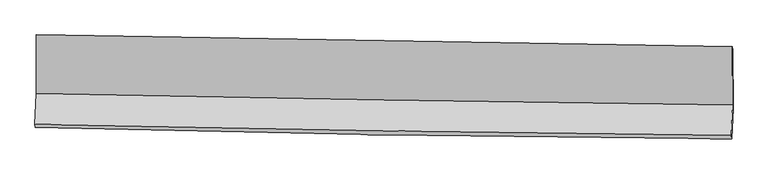
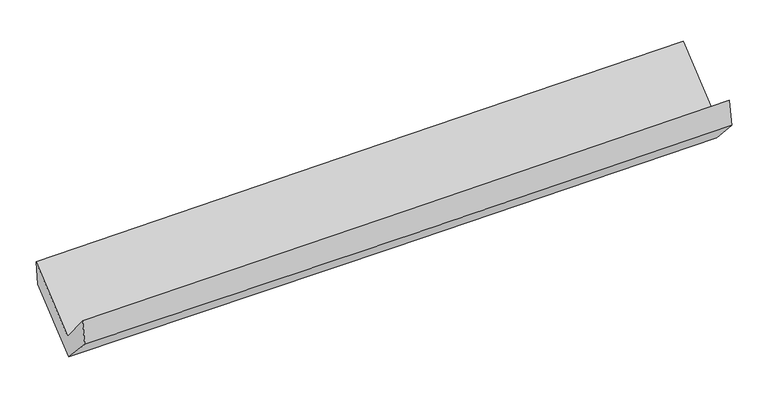
"""IFC4 building model written with IfcOpenShell, lengths in millimetres: proxy geometry."""

import ifcopenshell
import ifcopenshell.guid

model = None  # the IFC model being written
_history = None  # IfcOwnerHistory: only IFC2X3 demands one
_inside = {}  # id of a spatial element -> (the spatial element, [elements in it])
_under = {}  # id of a project, library or spatial element -> (it, [spatial elements below it])
_declared = {}  # id of a project -> (the project, [libraries it declares])
_typed = {}  # id of a type object -> (the type object, [elements of that type])
_made_of = {}  # id of a material, layer set ... -> (it, [elements and type objects made of it])


def new_model(schema):
    """Start an empty IFC model of exactly this schema.

    Asked for "IFC4X3", IfcOpenShell would pick the latest addendum, in which some entities
    have other attributes; the version numbers below select the first issue.
    IFC2X3 requires an IfcOwnerHistory on every rooted entity: one is made here for all.
    """
    global model, _history
    if schema == "IFC4X3":
        model = ifcopenshell.file(schema_version=(4, 3, 0, 0))
    else:
        model = ifcopenshell.file(schema=schema)
    _inside.clear()
    _under.clear()
    _declared.clear()
    _typed.clear()
    _made_of.clear()
    _history = None
    if model.schema == "IFC2X3":
        org = make("IfcOrganization", Name="unknown")
        user = make(
            "IfcPersonAndOrganization",
            ThePerson=make("IfcPerson", FamilyName="unknown"),
            TheOrganization=org,
        )
        app = make(
            "IfcApplication",
            ApplicationDeveloper=org,
            Version="unknown",
            ApplicationFullName="unknown",
            ApplicationIdentifier="unknown",
        )
        _history = make(
            "IfcOwnerHistory",
            OwningUser=user,
            OwningApplication=app,
            ChangeAction="ADDED",
            CreationDate=0,
        )
    return model


def make(cls, **values):
    """One entity of the class cls with the attributes given. An attribute that is None is left unset."""
    return model.create_entity(
        cls, **{name: value for name, value in values.items() if value is not None}
    )


def rooted(cls, **values):
    """An entity with a GlobalId (a new one), such as an element, a storey or a relation."""
    return make(cls, GlobalId=ifcopenshell.guid.new(), OwnerHistory=_history, **values)


def si_unit(unit_type, name, prefix=None):
    """IfcSIUnit, for example si_unit("LENGTHUNIT", "METRE", prefix="MILLI")."""
    return make("IfcSIUnit", UnitType=unit_type, Prefix=prefix, Name=name)


def assignment(units):
    """IfcUnitAssignment: the units of a project."""
    return None if units is None else make("IfcUnitAssignment", Units=units)


def point(xyz):
    """IfcCartesianPoint."""
    return None if xyz is None else make("IfcCartesianPoint", Coordinates=xyz)


def direction(xyz):
    """IfcDirection."""
    return None if xyz is None else make("IfcDirection", DirectionRatios=xyz)


def frame(location, z_axis=None, x_axis=None):
    """IfcAxis2Placement3D, a coordinate frame: its origin and axes. An axis left out is left unset."""
    return make(
        "IfcAxis2Placement3D",
        Location=point(location),
        Axis=direction(z_axis),
        RefDirection=direction(x_axis),
    )


def origin():
    """The frame at (0, 0, 0) with its axes left unset."""
    return frame((0.0, 0.0, 0.0))


def place(relative_to, where):
    """IfcLocalPlacement: puts the frame where relative to a parent placement (None: the world)."""
    return make(
        "IfcLocalPlacement", PlacementRelTo=relative_to, RelativePlacement=where
    )


def context(
    kind, dimensions, precision=None, world=None, true_north=None, identifier=None
):
    """IfcGeometricRepresentationContext, for example the 3D "Model" context."""
    return make(
        "IfcGeometricRepresentationContext",
        ContextIdentifier=identifier,
        ContextType=kind,
        CoordinateSpaceDimension=dimensions,
        Precision=precision,
        WorldCoordinateSystem=world,
        TrueNorth=true_north,
    )


def project(units=None, contexts=None):
    """IfcProject with its units and contexts."""
    return rooted(
        "IfcProject",
        Name="project",
        RepresentationContexts=contexts,
        UnitsInContext=assignment(units),
    )


def spatial(cls, under=None, at=None, **own):
    """A site, building, storey or space (cls), placed at a placement, below another one or the project."""
    s = rooted(cls, ObjectPlacement=at, **own)
    if under is not None:
        _under.setdefault(under.id(), (under, []))[1].append(s)
    return s


def shape(context_of_items, identifier, shape_type, items):
    """IfcShapeRepresentation: the items that make up one representation, for example the "Body"."""
    return make(
        "IfcShapeRepresentation",
        ContextOfItems=context_of_items,
        RepresentationIdentifier=identifier,
        RepresentationType=shape_type,
        Items=items,
    )


def source(mapping_origin, context_of_items, identifier, shape_type, items):
    """IfcRepresentationMap: a shape defined once, which mapped items show again and again."""
    return make(
        "IfcRepresentationMap",
        MappingOrigin=mapping_origin,
        MappedRepresentation=shape(context_of_items, identifier, shape_type, items),
    )


def transform(
    local_origin,
    x_axis=None,
    y_axis=None,
    z_axis=None,
    scale=None,
    scale2=None,
    scale3=None,
    uniform=True,
):
    """IfcCartesianTransformationOperator3D, or its non-uniform kind. x_axis, y_axis, z_axis: its Axis1, 2, 3."""
    if uniform:
        return make(
            "IfcCartesianTransformationOperator3D",
            Axis1=direction(x_axis),
            Axis2=direction(y_axis),
            LocalOrigin=point(local_origin),
            Scale=scale,
            Axis3=direction(z_axis),
        )
    return make(
        "IfcCartesianTransformationOperator3DnonUniform",
        Axis1=direction(x_axis),
        Axis2=direction(y_axis),
        LocalOrigin=point(local_origin),
        Scale=scale,
        Axis3=direction(z_axis),
        Scale2=scale2,
        Scale3=scale3,
    )


def mapped(mapping_source, mapping_target):
    """IfcMappedItem: shows the shape of a source again, moved by a transform."""
    return make(
        "IfcMappedItem", MappingSource=mapping_source, MappingTarget=mapping_target
    )


def made_of(thing, what):
    """Note that an element or type object is made of a material, layer set ...; save() writes the relation."""
    if what is not None:
        _made_of.setdefault(what.id(), (what, []))[1].append(thing)
    return thing


def element(
    cls,
    number,
    at=None,
    inside=None,
    cuts=None,
    type_object=None,
    material=None,
    context=None,
    identifier="Body",
    shape_type=None,
    held_by="IfcProductDefinitionShape",
    body=None,
    shapes=None,
    **own,
):
    """One element of the class cls, such as IfcWall. Its Tag is "e" and its number.

    at: its placement. inside: the storey or other place that contains it. cuts: it is an
    opening in that element (IfcRelVoidsElement). A single representation is given by context,
    identifier, shape_type and body (its items); several are given by shapes. held_by: the class
    of the entity that holds the representations. save() writes the other relations.
    """
    e = rooted(cls, Tag="e%d" % number, ObjectPlacement=at, **own)
    if body is not None:
        shapes = [shape(context, identifier, shape_type, body)]
    if shapes is not None:
        e.Representation = make(held_by, Representations=shapes)
    if inside is not None:
        _inside.setdefault(inside.id(), (inside, []))[1].append(e)
    if cuts is not None:
        rooted(
            "IfcRelVoidsElement", RelatingBuildingElement=cuts, RelatedOpeningElement=e
        )
    if type_object is not None:
        _typed.setdefault(type_object.id(), (type_object, []))[1].append(e)
    return made_of(e, material)


def aggregate(whole, parts):
    """IfcRelAggregates: a whole, such as a stair, and the parts it consists of."""
    return rooted("IfcRelAggregates", RelatingObject=whole, RelatedObjects=parts)


def save(model, path):
    """Write the relations noted so far, then the file.

    IfcRelAggregates (storeys below a building ...), IfcRelContainedInSpatialStructure (elements
    in a storey), IfcRelDefinesByType, IfcRelAssociatesMaterial and IfcRelDeclares: one each for
    every whole, place, type object, material and project.
    """
    for whole, parts in _under.values():
        aggregate(whole, parts)
    for where, things in _inside.values():
        rooted(
            "IfcRelContainedInSpatialStructure",
            RelatedElements=things,
            RelatingStructure=where,
        )
    for kind, things in _typed.values():
        rooted("IfcRelDefinesByType", RelatedObjects=things, RelatingType=kind)
    for what, things in _made_of.values():
        rooted("IfcRelAssociatesMaterial", RelatedObjects=things, RelatingMaterial=what)
    for by, libraries in _declared.values():
        rooted("IfcRelDeclares", RelatingContext=by, RelatedDefinitions=libraries)
    model.write(path)


def plane_surface(at):
    """IfcPlane: the flat surface through the origin of the frame at, square to its z axis."""
    return make("IfcPlane", Position=at)


def spline_curve(degree, points, multiplicities, knots, weights=None):
    """IfcBSplineCurveWithKnots; with weights, IfcRationalBSplineCurveWithKnots."""
    own = dict(
        Degree=degree,
        ControlPointsList=[point(p) for p in points],
        CurveForm="UNSPECIFIED",
        ClosedCurve=False,
        SelfIntersect=False,
        KnotMultiplicities=multiplicities,
        Knots=knots,
        KnotSpec="UNSPECIFIED",
    )
    if weights is None:
        return make("IfcBSplineCurveWithKnots", **own)
    return make("IfcRationalBSplineCurveWithKnots", WeightsData=weights, **own)


def spline_surface(u_degree, v_degree, points, u_multiplicities, v_multiplicities, u_knots, v_knots, weights=None):
    """IfcBSplineSurfaceWithKnots; with weights, IfcRationalBSplineSurfaceWithKnots. points: one row for each step in u."""
    own = dict(
        UDegree=u_degree,
        VDegree=v_degree,
        ControlPointsList=[[point(p) for p in row] for row in points],
        SurfaceForm="UNSPECIFIED",
        UClosed=False,
        VClosed=False,
        SelfIntersect=False,
        UMultiplicities=u_multiplicities,
        VMultiplicities=v_multiplicities,
        UKnots=u_knots,
        VKnots=v_knots,
        KnotSpec="UNSPECIFIED",
    )
    if weights is None:
        return make("IfcBSplineSurfaceWithKnots", **own)
    return make("IfcRationalBSplineSurfaceWithKnots", WeightsData=weights, **own)


def advanced_brep(points, edges, surfaces, faces):
    """IfcAdvancedBrep: a solid bounded by faces that lie on surfaces and meet in shared edges.

    An edge is (start, end): straight between two places in points (the first is 0);
    or (start, end, curve); or (start, end, curve, False) where it runs against its curve.
    A face is (place in surfaces, loops), or (place, loops, False) where it looks against
    its surface's normal. A loop lists edges by number (the first is 1), with a minus sign
    where the edge is run from its end to its start. The first loop is the outer one.
    """
    corners = [point(p) for p in points]
    vertices = [make("IfcVertexPoint", VertexGeometry=c) for c in corners]
    made = []
    for start, end, *more in edges:
        made.append(
            make(
                "IfcEdgeCurve",
                EdgeStart=vertices[start],
                EdgeEnd=vertices[end],
                EdgeGeometry=more[0] if more else make("IfcPolyline", Points=[corners[start], corners[end]]),
                SameSense=more[1] if len(more) > 1 else True,
            )
        )
    hull = []
    for where, loops, *sense in faces:
        bounds = []
        for j, loop in enumerate(loops):
            ring = [make("IfcOrientedEdge", EdgeElement=made[abs(k) - 1], Orientation=k > 0) for k in loop]
            bounds.append(
                make(
                    "IfcFaceOuterBound" if j == 0 else "IfcFaceBound",
                    Bound=make("IfcEdgeLoop", EdgeList=ring),
                    Orientation=True,
                )
            )
        hull.append(make("IfcAdvancedFace", Bounds=bounds, FaceSurface=surfaces[where], SameSense=sense[0] if sense else True))
    return make("IfcAdvancedBrep", Outer=make("IfcClosedShell", CfsFaces=hull))


def generic_models_10580284(model_context):
    return source(origin(), model_context, "Body", "AdvancedBrep", [
        advanced_brep(
        [(-3026.9509485, -1157.0435146, 2180.7396068), (-3025.4014367, -1668.568894, 1749.730928), (3015.0928944, -1768.9462437, 1896.4428251), (3013.5549651, -1261.2444876, 2324.2297384), (-3037.3015909, -1936.3746288, 2067.3021646), (3003.4073523, -2031.9222627, 2208.286855), (-3032.5569271, -1960.8724539, 1847.0679043), (3008.3262757, -2063.4143889, 1975.6176587), (-3020.8977518, -1681.6713913, 1547.9214154), (3019.4865669, -1796.160053, 1689.2713408), (-3022.2801263, -1175.172656, 1968.2027493), (3018.0950462, -1286.310164, 2112.3333873)],
        [
            (0, 1),
            (1, 2, spline_curve(3, [(-3025.4014367, -1668.568894, 1749.730928), (-2018.725301336, -1689.33666926, 1774.369286323), (-1012.012121191, -1708.085343691, 1798.914471188), (1001.485989455, -1741.544450622, 1847.818436174), (2008.270919621, -1756.25489306, 1872.177217344), (3015.0928944, -1768.9462437, 1896.4428251)], [4, 2, 4], [0.0, 9.913256441341677, 19.82648983986213])),
            (2, 3),
            (3, 0, spline_curve(3, [(3013.5549651, -1261.2444876, 2324.2297384), (2006.719477262, -1244.092246697, 2303.722854028), (999.926825592, -1226.832722344, 2281.511916639), (-1013.575145932, -1192.099064888, 2233.681880572), (-2020.284465343, -1174.624931983, 2208.062774018), (-3026.9509485, -1157.0435146, 2180.7396068)], [4, 2, 4], [0.0, 9.913233398520454, 19.82648983986213])),
            (1, 4),
            (4, 5, spline_curve(3, [(-3037.3015909, -1936.3746288, 2067.3021646), (-2030.613500207, -1956.873353889, 2091.62147598), (-1023.876457742, -1975.085025643, 2115.529868697), (989.693190323, -2006.934226541, 2162.524763885), (1996.525795485, -2020.571765685, 2185.611267629), (3003.4073523, -2031.9222627, 2208.286855)], [4, 2, 4], [0.0, 9.91326949904951, 19.826515955247448])),
            (5, 2),
            (4, 6),
            (6, 7, spline_curve(3, [(-3032.5569271, -1960.8724539, 1847.0679043), (-2025.978014948, -1987.386004434, 1871.76355208), (-1019.281040208, -2009.187945455, 1894.823865895), (994.346694922, -2043.368568419, 1937.673776504), (2001.277454263, -2055.747272427, 1957.463380668), (3008.3262757, -2063.4143889, 1975.6176587)], [4, 2, 4], [0.0, 9.913327839514531, 19.82663263604188])),
            (7, 5),
            (6, 8),
            (8, 9, spline_curve(3, [(-3020.8977518, -1681.6713913, 1547.9214154), (-2014.284721141, -1707.367913014, 1571.741668), (-1007.612260911, -1729.756903128, 1595.43096808), (1005.849178618, -1767.919774918, 1642.54760936), (2012.638158306, -1783.693672348, 1665.97495085), (3019.4865669, -1796.160053, 1689.2713408)], [4, 2, 4], [0.0, 9.913355720366992, 19.826688397681995])),
            (9, 7),
            (8, 10),
            (10, 11, spline_curve(3, [(-3022.2801263, -1175.172656, 1968.2027493), (-2015.679579684, -1196.295076678, 1995.818488628), (-1009.014123684, -1216.117755519, 2021.63725664), (1004.444267394, -1253.163585425, 2069.680794322), (2011.23720237, -1270.386742782, 2091.905572331), (3018.0950462, -1286.310164, 2112.3333873)], [4, 2, 4], [0.0, 9.913300636199025, 19.8265782294741])),
            (11, 9),
            (10, 0),
            (3, 11),
        ],
        [
            spline_surface(3, 3, [[(-3026.9509485, -1157.0435146, 2180.7396068), (-2020.284465334, -1174.624931939, 2208.06277412), (-1013.57514587, -1192.099065032, 2233.681880641), (999.92682553, -1226.8327222, 2281.511916569), (2006.719477264, -1244.092246773, 2303.722853948), (3013.5549651, -1261.2444876, 2324.2297384)], [(-3026.434444562, -1327.55197441, 2037.0700472), (-2019.764744026, -1346.195511074, 2063.498278189), (-1013.054137617, -1364.094491205, 2088.75941076), (1000.446546829, -1398.403298372, 2136.947423134), (2007.236624671, -1414.813128868, 2159.874308414), (3014.0676082, -1430.478406295, 2181.634100651)], [(-3025.917940638, -1498.06043419, 1893.4004876), (-2019.245022731, -1517.766090177, 1918.933782256), (-1012.53312939, -1536.089917401, 1943.836940929), (1000.966268101, -1569.973874567, 1992.38292975), (2007.753772078, -1585.534010978, 2016.025762825), (3014.5802513, -1599.712325005, 2039.038462849)], [(-3025.4014367, -1668.568894, 1749.730928), (-2018.725301424, -1689.336669312, 1774.369286325), (-1012.012121136, -1708.085343574, 1798.914471047), (1001.4859894, -1741.544450739, 1847.818436315), (2008.270919485, -1756.254893073, 1872.177217291), (3015.0928944, -1768.9462437, 1896.4428251)]], [4, 4], [4, 2, 4], [0.0, 2.210962640961867], [0.0, 9.913256441341677, 19.82648983986213]),
            spline_surface(3, 3, [[(-3025.4014367, -1668.568894, 1749.730928), (-2018.725301424, -1689.336669312, 1774.369286325), (-1012.012121136, -1708.085343574, 1798.914471047), (1001.4859894, -1741.544450739, 1847.818436315), (2008.270919485, -1756.254893073, 1872.177217291), (3015.0928944, -1768.9462437, 1896.4428251)], [(-3029.36815475, -1757.837472236, 1855.58800684), (-2022.688034321, -1778.515564117, 1880.120016143), (-1015.966899998, -1797.085237634, 1904.452936973), (997.55505635, -1830.007709304, 1952.72054545), (2004.355878192, -1844.360517303, 1976.655234021), (3011.197713729, -1856.604916696, 2000.390835046)], [(-3033.33487285, -1847.106050564, 1961.44508576), (-2026.650767269, -1867.694459015, 1985.870746041), (-1019.921678833, -1886.085131692, 2009.991402917), (993.624123326, -1918.470967867, 2057.622654604), (2000.440836811, -1932.466141546, 2081.133250812), (3007.302532971, -1944.263589704, 2104.338845054)], [(-3037.3015909, -1936.3746288, 2067.3021646), (-2030.613500167, -1956.873353821, 2091.621475859), (-1023.876457695, -1975.085025752, 2115.529868843), (989.693190276, -2006.934226432, 2162.524763739), (1996.525795518, -2020.571765776, 2185.611267542), (3003.4073523, -2031.9222627, 2208.286855)]], [4, 4], [4, 2, 4], [0.0, 1.355274143310243], [0.0, 9.91326949904951, 19.826515955247448]),
            spline_surface(3, 3, [[(-3037.3015909, -1936.3746288, 2067.3021646), (-2030.613500167, -1956.873353821, 2091.621475859), (-1023.876457695, -1975.085025752, 2115.529868843), (989.693190276, -2006.934226432, 2162.524763739), (1996.525795518, -2020.571765776, 2185.611267542), (3003.4073523, -2031.9222627, 2208.286855)], [(-3035.720036313, -1944.540570511, 1993.890744499), (-2029.068338425, -1967.04423736, 2018.335501238), (-1022.344651799, -1986.452665635, 2041.961201196), (991.244358459, -2019.079007125, 2087.574434639), (1998.109681726, -2032.296934694, 2109.561971911), (3005.046993427, -2042.419638113, 2130.730456231)], [(-3034.138481687, -1952.706512189, 1920.479324401), (-2027.523176646, -1977.215120868, 1945.049526619), (-1020.812845955, -1997.820305499, 1968.392533578), (992.79552659, -2031.2237878, 2012.624105567), (1999.693567953, -2044.022103571, 2033.512676288), (3006.686634573, -2052.917013487, 2053.174057469)], [(-3032.5569271, -1960.8724539, 1847.0679043), (-2025.978014904, -1987.386004407, 1871.763551998), (-1019.281040059, -2009.187945382, 1894.823865932), (994.346694773, -2043.368568493, 1937.673776467), (2001.277454161, -2055.747272489, 1957.463380657), (3008.3262757, -2063.4143889, 1975.6176587)]], [4, 4], [4, 2, 4], [0.0, 0.7401586256489883], [0.0, 9.913327839514531, 19.82663263604188]),
            spline_surface(3, 3, [[(-3032.5569271, -1960.8724539, 1847.0679043), (-2025.978014904, -1987.386004407, 1871.763551998), (-1019.281040059, -2009.187945382, 1894.823865932), (994.346694773, -2043.368568493, 1937.673776467), (2001.277454161, -2055.747272489, 1957.463380657), (3008.3262757, -2063.4143889, 1975.6176587)], [(-3028.670535338, -1867.805433024, 1747.352408016), (-2022.080250358, -1894.046640634, 1771.75625732), (-1015.391447052, -1916.044264609, 1795.026233359), (998.180856119, -1951.552303976, 1839.29838745), (2005.064355475, -1965.062739051, 1860.300570759), (3012.04637275, -1974.329610263, 1880.168886089)], [(-3024.784143562, -1774.738412176, 1647.636911684), (-2018.182485796, -1800.707276888, 1671.748962595), (-1011.501854078, -1822.900583857, 1695.228600691), (1002.015017432, -1859.736039479, 1740.922998338), (2008.851256841, -1874.378205623, 1763.137760795), (3015.76646985, -1885.244831637, 1784.720113411)], [(-3020.8977518, -1681.6713913, 1547.9214154), (-2014.28472125, -1707.367913115, 1571.741667917), (-1007.61226107, -1729.756903085, 1595.430968119), (1005.849178777, -1767.919774962, 1642.547609321), (2012.638158155, -1783.693672185, 1665.974950897), (3019.4865669, -1796.160053, 1689.2713408)]], [4, 4], [4, 2, 4], [0.0, 1.3345816721663153], [0.0, 9.913355720366992, 19.826688397681995]),
            spline_surface(3, 3, [[(-3020.8977518, -1681.6713913, 1547.9214154), (-2014.28472125, -1707.367913115, 1571.741667917), (-1007.61226107, -1729.756903085, 1595.430968119), (1005.849178777, -1767.919774962, 1642.547609321), (2012.638158155, -1783.693672185, 1665.974950897), (3019.4865669, -1796.160053, 1689.2713408)], [(-3021.358543301, -1512.838479563, 1688.015193366), (-2014.749674078, -1537.010301035, 1713.100608162), (-1008.079548622, -1558.543853896, 1737.499730964), (1005.380874987, -1596.334378457, 1784.92533765), (2012.171172841, -1612.591362361, 1807.951824691), (3019.022726658, -1626.210089981, 1830.292022963)], [(-3021.819334799, -1344.005567737, 1828.108971334), (-2015.214626903, -1366.652688866, 1854.459548408), (-1008.546836159, -1387.330804696, 1879.56849381), (1004.912571212, -1424.748981941, 1927.30306598), (2011.704187553, -1441.489052596, 1949.928698497), (3018.558886442, -1456.260127019, 1971.312705137)], [(-3022.2801263, -1175.172656, 1968.2027493), (-2015.679579731, -1196.295076786, 1995.818488652), (-1009.014123711, -1216.117755508, 2021.637256655), (1004.444267422, -1253.163585436, 2069.680794308), (2011.23720224, -1270.386742773, 2091.905572291), (3018.0950462, -1286.310164, 2112.3333873)]], [4, 4], [4, 2, 4], [0.0, 2.192151734096548], [0.0, 9.913300636199025, 19.8265782294741]),
            spline_surface(3, 3, [[(-3022.2801263, -1175.172656, 1968.2027493), (-2015.679579731, -1196.295076786, 1995.818488652), (-1009.014123711, -1216.117755508, 2021.637256655), (1004.444267422, -1253.163585436, 2069.680794308), (2011.23720224, -1270.386742773, 2091.905572291), (3018.0950462, -1286.310164, 2112.3333873)], [(-3023.837067035, -1169.129608856, 2039.048368478), (-2017.2145416, -1189.071695159, 2066.566583819), (-1010.534464454, -1208.111525353, 2092.318797985), (1002.938453434, -1244.386631028, 2140.291168397), (2009.731293916, -1261.621910792, 2162.51133283), (3016.581685835, -1277.954938552, 2182.96550432)], [(-3025.394007765, -1163.086561744, 2109.893987622), (-2018.749503465, -1181.848313566, 2137.314678953), (-1012.054805127, -1200.105295186, 2163.000339311), (1001.432639517, -1235.609676608, 2210.901542481), (2008.225385587, -1252.857078754, 2233.117093409), (3015.068325465, -1269.599713048, 2253.59762138)], [(-3026.9509485, -1157.0435146, 2180.7396068), (-2020.284465334, -1174.624931939, 2208.06277412), (-1013.57514587, -1192.099065032, 2233.681880641), (999.92682553, -1226.8327222, 2281.511916569), (2006.719477264, -1244.092246773, 2303.722853948), (3013.5549651, -1261.2444876, 2324.2297384)]], [4, 4], [4, 2, 4], [0.0, 0.7003808346820244], [0.0, 9.913269285852408, 19.82651552885374]),
            plane_surface(frame((3012.9938501, -1701.3329333, 2034.3636342), z_axis=(0.9995872408546687, -0.016680592689959726, 0.023390291748119886), x_axis=(-0.002100351000417537, 0.7695636184162374, 0.6385666963879206))),
            plane_surface(frame((-3027.5647969, -1596.6172564, 1893.4941281), z_axis=(-0.9995872408547439, 0.016680592687975452, -0.023390291746325172), x_axis=(0.021891764605560346, -0.08496981458865568, -0.9961430024104091))),
        ],
        [
            (0, [[1, 2, 3, 4]]),
            (1, [[5, 6, 7, -2]]),
            (2, [[8, 9, 10, -6]]),
            (3, [[11, 12, 13, -9]]),
            (4, [[14, 15, 16, -12]]),
            (5, [[17, -4, 18, -15]]),
            (6, [[-16, -18, -3, -7, -10, -13]]),
            (7, [[-17, -14, -11, -8, -5, -1]]),
        ],
    ),
    ])


if __name__ == "__main__":
    model = new_model("IFC4")
    model_context = context("Model", 3, world=origin())
    ifc_project = project(units=[si_unit("LENGTHUNIT", "METRE", prefix="MILLI")], contexts=[model_context])
    site = spatial("IfcSite", under=ifc_project)
    building = spatial("IfcBuilding", under=site)
    placement = place(None, origin())
    generic_models_shape = generic_models_10580284(model_context)
    element("IfcBuildingElementProxy", 1, Name="Generic Models", at=placement, inside=building, context=model_context, shape_type="MappedRepresentation", body=[
        mapped(generic_models_shape, transform((0.0, 0.0, 0.0), x_axis=(1.0, 0.0, 0.0), y_axis=(0.0, 1.0, 0.0), z_axis=(0.0, 0.0, 1.0))),
    ])
    save(model, "model.ifc")
